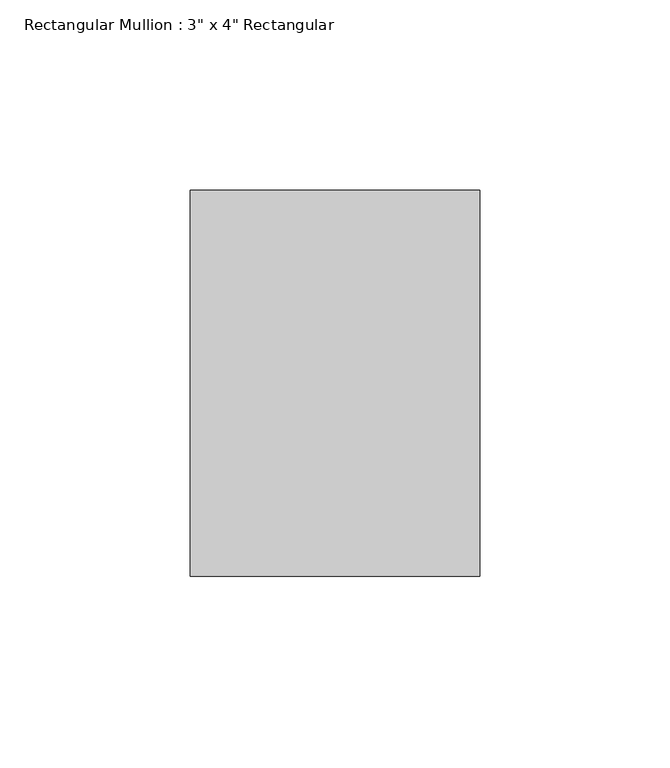
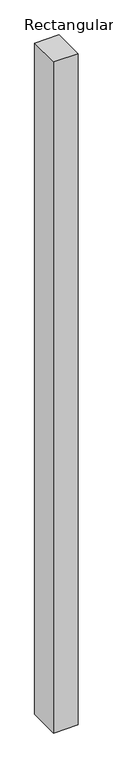
"""IFC4 building model written with IfcOpenShell, lengths in millimetres: member geometry."""

from ifc_helpers import new_model, si_unit, frame, origin, place, context, project, spatial, polyline, outline, extrude, source, transform, mapped, element, save


def member_263a07e0(model_context):
    return source(origin(), model_context, "Body", "SweptSolid", [
        extrude(outline(polyline([(38.1, 50.8), (38.1, -50.8), (-38.1, -50.8), (-38.1, 50.8), (38.1, 50.8)])), frame((0.0, 0.0, -2209.8), z_axis=(0.0, 0.0, 1.0), x_axis=(1.0, 0.0, 0.0)), (0.0, 0.0, 1.0), 2209.8),
    ])


if __name__ == "__main__":
    model = new_model("IFC4")
    model_context = context("Model", 3, world=origin())
    ifc_project = project(units=[si_unit("LENGTHUNIT", "METRE", prefix="MILLI")], contexts=[model_context])
    site = spatial("IfcSite", under=ifc_project)
    building = spatial("IfcBuilding", under=site)
    placement = place(None, origin())
    member_shape = member_263a07e0(model_context)
    element("IfcMember", 1, ObjectType="Rectangular Mullion : 3\" x 4\" Rectangular", at=placement, inside=building, context=model_context, shape_type="MappedRepresentation", body=[
        mapped(member_shape, transform((0.0, 0.0, 0.0), x_axis=(1.0, 0.0, 0.0), y_axis=(0.0, 1.0, 0.0), z_axis=(0.0, 0.0, 1.0))),
    ])
    save(model, "model.ifc")
